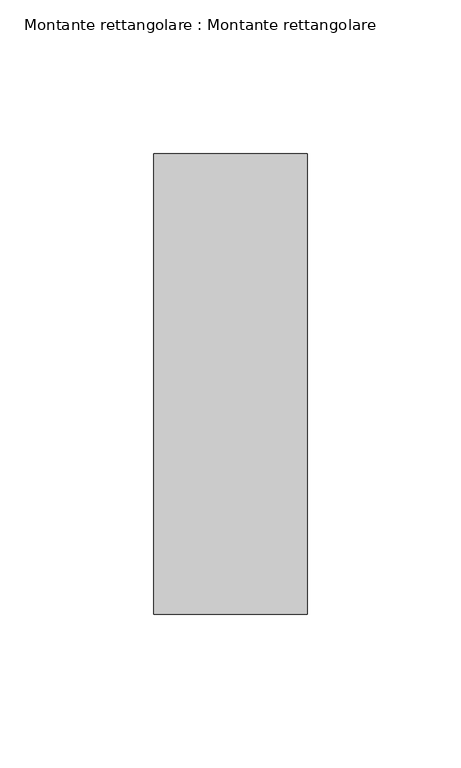
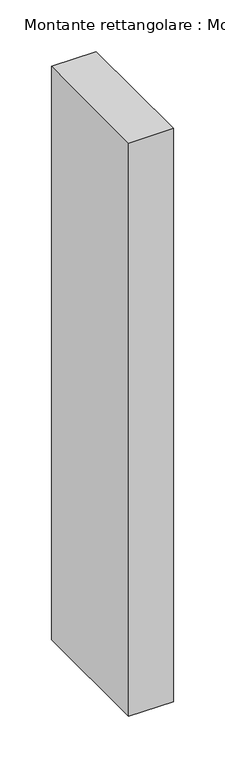
"""IFC4 building model written with IfcOpenShell, lengths in millimetres: member geometry, Montante rettangolare : Montante rettangolare."""

from ifc_helpers import new_model, si_unit, frame, origin, place, context, project, spatial, polyline, outline, extrude, source, transform, mapped, element, save


def montante_rettangolare_montante_rettangolare_7487ae66(model_context):
    return source(origin(), model_context, "Body", "SweptSolid", [
        extrude(outline(polyline([(0.0, 75.0), (0.0, -75.0), (-50.0, -75.0), (-50.0, 75.0), (0.0, 75.0)])), frame((0.0, 0.0, -678.0), z_axis=(0.0, 0.0, 1.0), x_axis=(1.0, 0.0, 0.0)), (0.0, 0.0, 1.0), 678.0),
    ])


if __name__ == "__main__":
    model = new_model("IFC4")
    model_context = context("Model", 3, world=origin())
    ifc_project = project(units=[si_unit("LENGTHUNIT", "METRE", prefix="MILLI")], contexts=[model_context])
    site = spatial("IfcSite", under=ifc_project)
    building = spatial("IfcBuilding", under=site)
    placement = place(None, origin())
    montante_rettangolare_montante_rettangolare_shape = montante_rettangolare_montante_rettangolare_7487ae66(model_context)
    element("IfcMember", 1, ObjectType="Montante rettangolare : Montante rettangolare", at=placement, inside=building, context=model_context, shape_type="MappedRepresentation", body=[
        mapped(montante_rettangolare_montante_rettangolare_shape, transform((0.0, 0.0, 0.0), x_axis=(1.0, 0.0, 0.0), y_axis=(0.0, 1.0, 0.0), z_axis=(0.0, 0.0, 1.0))),
    ])
    save(model, "model.ifc")
